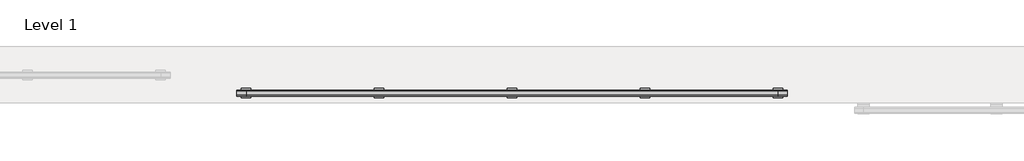
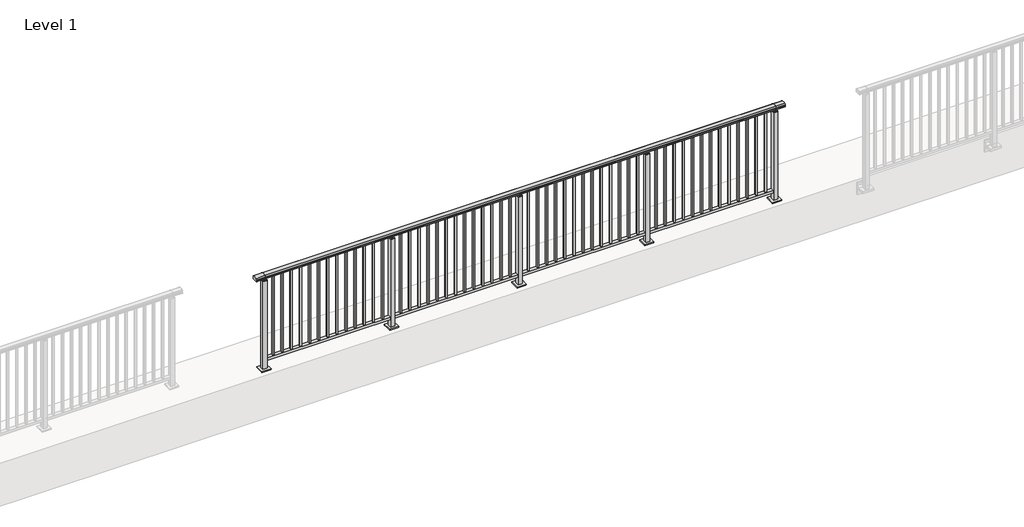
# One storey, part 17 of 64: 1 railing.
"""IFC4 building model written with IfcOpenShell, lengths in millimetres."""

from ifc_helpers import new_model, si_unit, frame, origin, origin_with_axes, place, context, project, spatial, polyline, circle_curve, outline, extrude, element, save
from ifc_brep_helpers import plane_surface, cylinder_surface, revolved_surface, advanced_brep

model = new_model("IFC4")

# Units and contexts
model_context = context("Model", 3, world=origin())
ifc_project = project(units=[si_unit("LENGTHUNIT", "METRE", prefix="MILLI")], contexts=[model_context])

# Site, building, storey
site = spatial("IfcSite", under=ifc_project)
building = spatial("IfcBuilding", under=site)
storey = spatial("IfcBuildingStorey", under=building, Name="Level 1", Elevation=0.0)

# Railing
placement = place(None, origin())
element("IfcRailing", 1, at=placement, inside=storey, context=model_context, shape_type="SolidModel", body=[
    advanced_brep(
    [(6400.0, 15025.3633756, 1095.6691182), (6400.0, 15030.1846828, 1081.1334092), (6400.0, 15029.2413744, 1069.2539035), (6400.0, 15031.1364177, 1061.4863007), (6400.0, 15029.4894799, 1060.384124), (6400.0, 15029.4894799, 1062.0), (6400.0, 14970.8798858, 1062.0), (6400.0, 14970.8798858, 1060.384124), (6400.0, 14969.232948, 1061.4863007), (6400.0, 14971.1279912, 1069.2539035), (6400.0, 14970.1846828, 1081.1334092), (6400.0, 14975.00599, 1095.6691182), (12200.0, 15025.3633756, 1095.6691182), (12200.0, 14975.00599, 1095.6691182), (12200.0, 14970.1846828, 1081.1334092), (12200.0, 14971.1279912, 1069.2539035), (12200.0, 14969.232948, 1061.4863007), (12200.0, 14970.8798858, 1060.384124), (12200.0, 14970.8798858, 1062.0), (12200.0, 15029.4894799, 1062.0), (12200.0, 15029.4894799, 1060.384124), (12200.0, 15031.1364177, 1061.4863007), (12200.0, 15029.2413744, 1069.2539035), (12200.0, 15030.1846828, 1081.1334092), (6500.0, 15025.3633756, 1095.6691182), (6500.0, 15030.1846828, 1081.1334092), (6500.0, 15029.2413744, 1069.2539035), (6500.0, 15031.1364177, 1061.4863007), (6500.0, 15029.4894799, 1060.384124), (6500.0, 15029.4894799, 1062.0), (6500.0, 14970.8798858, 1062.0), (6500.0, 14970.8798858, 1060.384124), (6500.0, 14969.232948, 1061.4863007), (6500.0, 14971.1279912, 1069.2539035), (6500.0, 14970.1846828, 1081.1334092), (6500.0, 14975.00599, 1095.6691182), (12100.0, 15025.3633756, 1095.6691182), (12100.0, 15030.1846828, 1081.1334092), (12100.0, 15029.2413744, 1069.2539035), (12100.0, 15031.1364177, 1061.4863007), (12100.0, 15029.4894799, 1060.384124), (12100.0, 15029.4894799, 1062.0), (12100.0, 14970.8798858, 1062.0), (12100.0, 14970.8798858, 1060.384124), (12100.0, 14969.232948, 1061.4863007), (12100.0, 14971.1279912, 1069.2539035), (12100.0, 14970.1846828, 1081.1334092), (12100.0, 14975.00599, 1095.6691182)],
    [
        (0, 1, circle_curve(frame((6400.0, 15022.1223845, 1086.526686), z_axis=(-1.0, 0.0, 0.0), x_axis=(0.0, -1.0, 0.0)), 9.6999015)),
        (1, 2, circle_curve(frame((6400.0, 15047.7252545, 1073.7633709), z_axis=(1.0, 0.0, 0.0), x_axis=(0.0, -1.0, 0.0)), 19.0260117)),
        (2, 3),
        (3, 4, circle_curve(frame((6400.0, 15030.2772073, 1060.9886194), z_axis=(-1.0, 0.0, 0.0), x_axis=(0.0, -1.0, 0.0)), 0.9929396)),
        (4, 5),
        (5, 6),
        (6, 7),
        (7, 8, circle_curve(frame((6400.0, 14970.0921584, 1060.9886194), z_axis=(-1.0, 0.0, 0.0), x_axis=(0.0, 1.0, 0.0)), 0.9929396)),
        (8, 9),
        (9, 10, circle_curve(frame((6400.0, 14952.6441111, 1073.7633709), z_axis=(1.0, 0.0, 0.0), x_axis=(0.0, 1.0, 0.0)), 19.0260117)),
        (10, 11, circle_curve(frame((6400.0, 14978.2469812, 1086.526686), z_axis=(-1.0, 0.0, 0.0), x_axis=(0.0, 1.0, 0.0)), 9.6999015)),
        (11, 0, circle_curve(frame((6400.0, 15000.1846828, 1024.6431628), z_axis=(-1.0, 0.0, 0.0), x_axis=(0.0, 1.0, 0.0)), 75.3568372)),
        (12, 13, circle_curve(frame((12200.0, 15000.1846828, 1024.6431628), z_axis=(1.0, 0.0, 0.0), x_axis=(0.0, 1.0, 0.0)), 75.3568372)),
        (13, 14, circle_curve(frame((12200.0, 14978.2469812, 1086.526686), z_axis=(1.0, 0.0, 0.0), x_axis=(0.0, 1.0, 0.0)), 9.6999015)),
        (14, 15, circle_curve(frame((12200.0, 14952.6441111, 1073.7633709), z_axis=(-1.0, 0.0, 0.0), x_axis=(0.0, 1.0, 0.0)), 19.0260117)),
        (15, 16),
        (16, 17, circle_curve(frame((12200.0, 14970.0921584, 1060.9886194), z_axis=(1.0, 0.0, 0.0), x_axis=(0.0, 1.0, 0.0)), 0.9929396)),
        (17, 18),
        (18, 19),
        (19, 20),
        (20, 21, circle_curve(frame((12200.0, 15030.2772073, 1060.9886194), z_axis=(1.0, 0.0, 0.0), x_axis=(0.0, -1.0, 0.0)), 0.9929396)),
        (21, 22),
        (22, 23, circle_curve(frame((12200.0, 15047.7252545, 1073.7633709), z_axis=(-1.0, 0.0, 0.0), x_axis=(0.0, -1.0, 0.0)), 19.0260117)),
        (23, 12, circle_curve(frame((12200.0, 15022.1223845, 1086.526686), z_axis=(1.0, 0.0, 0.0), x_axis=(0.0, -1.0, 0.0)), 9.6999015)),
        (0, 24),
        (24, 25, circle_curve(frame((6500.0, 15022.1223845, 1086.526686), z_axis=(-1.0, 0.0, 0.0), x_axis=(0.0, -1.0, 0.0)), 9.6999015)),
        (25, 1),
        (25, 26, circle_curve(frame((6500.0, 15047.7252545, 1073.7633709), z_axis=(1.0, 0.0, 0.0), x_axis=(0.0, -1.0, 0.0)), 19.0260117)),
        (26, 2),
        (26, 27),
        (27, 3),
        (27, 28, circle_curve(frame((6500.0, 15030.2772073, 1060.9886194), z_axis=(-1.0, 0.0, 0.0), x_axis=(0.0, -1.0, 0.0)), 0.9929396)),
        (28, 4),
        (28, 29),
        (29, 5),
        (29, 30),
        (30, 6),
        (30, 31),
        (31, 7),
        (31, 32, circle_curve(frame((6500.0, 14970.0921584, 1060.9886194), z_axis=(-1.0, 0.0, 0.0), x_axis=(0.0, 1.0, 0.0)), 0.9929396)),
        (32, 8),
        (32, 33),
        (33, 9),
        (33, 34, circle_curve(frame((6500.0, 14952.6441111, 1073.7633709), z_axis=(1.0, 0.0, 0.0), x_axis=(0.0, 1.0, 0.0)), 19.0260117)),
        (34, 10),
        (34, 35, circle_curve(frame((6500.0, 14978.2469812, 1086.526686), z_axis=(-1.0, 0.0, 0.0), x_axis=(0.0, 1.0, 0.0)), 9.6999015)),
        (35, 11),
        (35, 24, circle_curve(frame((6500.0, 15000.1846828, 1024.6431628), z_axis=(-1.0, 0.0, 0.0), x_axis=(0.0, 1.0, 0.0)), 75.3568372)),
        (24, 36),
        (36, 37, circle_curve(frame((12100.0, 15022.1223845, 1086.526686), z_axis=(-1.0, 0.0, 0.0), x_axis=(0.0, -1.0, 0.0)), 9.6999015)),
        (37, 25),
        (37, 38, circle_curve(frame((12100.0, 15047.7252545, 1073.7633709), z_axis=(1.0, 0.0, 0.0), x_axis=(0.0, -1.0, 0.0)), 19.0260117)),
        (38, 26),
        (38, 39),
        (39, 27),
        (39, 40, circle_curve(frame((12100.0, 15030.2772073, 1060.9886194), z_axis=(-1.0, 0.0, 0.0), x_axis=(0.0, -1.0, 0.0)), 0.9929396)),
        (40, 28),
        (40, 41),
        (41, 29),
        (41, 42),
        (42, 30),
        (42, 43),
        (43, 31),
        (43, 44, circle_curve(frame((12100.0, 14970.0921584, 1060.9886194), z_axis=(-1.0, 0.0, 0.0), x_axis=(0.0, 1.0, 0.0)), 0.9929396)),
        (44, 32),
        (44, 45),
        (45, 33),
        (45, 46, circle_curve(frame((12100.0, 14952.6441111, 1073.7633709), z_axis=(1.0, 0.0, 0.0), x_axis=(0.0, 1.0, 0.0)), 19.0260117)),
        (46, 34),
        (46, 47, circle_curve(frame((12100.0, 14978.2469812, 1086.526686), z_axis=(-1.0, 0.0, 0.0), x_axis=(0.0, 1.0, 0.0)), 9.6999015)),
        (47, 35),
        (47, 36, circle_curve(frame((12100.0, 15000.1846828, 1024.6431628), z_axis=(-1.0, 0.0, 0.0), x_axis=(0.0, 1.0, 0.0)), 75.3568372)),
        (36, 12),
        (23, 37),
        (22, 38),
        (21, 39),
        (20, 40),
        (19, 41),
        (18, 42),
        (17, 43),
        (16, 44),
        (15, 45),
        (14, 46),
        (13, 47),
    ],
    [
        plane_surface(frame((6400.0, 15000.1846828, 1100.0), z_axis=(-1.0, 0.0, 0.0), x_axis=(0.0, 1.0, 0.0))),
        plane_surface(frame((12200.0, 15000.1846828, 1100.0), z_axis=(1.0, 0.0, 0.0), x_axis=(0.0, 1.0, 0.0))),
        cylinder_surface(frame((6400.0, 15022.1223845, 1086.526686), z_axis=(-1.0, 0.0, 0.0), x_axis=(0.0, -1.0, 0.0)), 9.6999015),
        revolved_surface(polyline([(6500.0, 15028.6992428, 1073.7633709), (6400.0, 15028.6992428, 1073.7633709)]), (6400.0, 15047.7252545, 1073.7633709), (1.0, 0.0, 0.0)),
        plane_surface(frame((6400.0, 15029.2413744, 1069.2539035), z_axis=(0.0, 0.9715057689301543, 0.2370159086125439), x_axis=(1.0, 0.0, 0.0))),
        cylinder_surface(frame((6400.0, 15030.2772073, 1060.9886194), z_axis=(-1.0, 0.0, 0.0), x_axis=(0.0, -1.0, 0.0)), 0.9929396),
        plane_surface(frame((6400.0, 15029.4894799, 1060.384124), z_axis=(0.0, -1.0, 0.0), x_axis=(1.0, 0.0, 0.0))),
        plane_surface(frame((6400.0, 15029.4894799, 1062.0), z_axis=(0.0, 0.0, -1.0), x_axis=(1.0, 0.0, 0.0))),
        plane_surface(frame((6400.0, 14970.8798858, 1062.0), z_axis=(0.0, 1.0, 0.0), x_axis=(1.0, 0.0, 0.0))),
        cylinder_surface(frame((6400.0, 14970.0921584, 1060.9886194), z_axis=(-1.0, 0.0, 0.0), x_axis=(0.0, 1.0, 0.0)), 0.9929396),
        plane_surface(frame((6400.0, 14969.232948, 1061.4863007), z_axis=(0.0, -0.9715057689301543, 0.2370159086125439), x_axis=(1.0, 0.0, 0.0))),
        revolved_surface(polyline([(6500.0, 14971.6701228, 1073.7633709), (6400.0, 14971.6701228, 1073.7633709)]), (6400.0, 14952.6441111, 1073.7633709), (1.0, 0.0, 0.0)),
        cylinder_surface(frame((6400.0, 14978.2469812, 1086.526686), z_axis=(-1.0, 0.0, 0.0), x_axis=(0.0, 1.0, 0.0)), 9.6999015),
        cylinder_surface(frame((6400.0, 15000.1846828, 1024.6431628), z_axis=(-1.0, 0.0, 0.0), x_axis=(0.0, 1.0, 0.0)), 75.3568372),
        cylinder_surface(frame((6500.0, 15022.1223845, 1086.526686), z_axis=(-1.0, 0.0, 0.0), x_axis=(0.0, -1.0, 0.0)), 9.6999015),
        revolved_surface(polyline([(12100.0, 15028.6992428, 1073.7633709), (6500.0, 15028.6992428, 1073.7633709)]), (6500.0, 15047.7252545, 1073.7633709), (1.0, 0.0, 0.0)),
        plane_surface(frame((6500.0, 15029.2413744, 1069.2539035), z_axis=(0.0, 0.9715057689301543, 0.2370159086125439), x_axis=(1.0, 0.0, 0.0))),
        cylinder_surface(frame((6500.0, 15030.2772073, 1060.9886194), z_axis=(-1.0, 0.0, 0.0), x_axis=(0.0, -1.0, 0.0)), 0.9929396),
        plane_surface(frame((6500.0, 15029.4894799, 1060.384124), z_axis=(0.0, -1.0, 0.0), x_axis=(1.0, 0.0, 0.0))),
        plane_surface(frame((6500.0, 15029.4894799, 1062.0), z_axis=(0.0, 0.0, -1.0), x_axis=(1.0, 0.0, 0.0))),
        plane_surface(frame((6500.0, 14970.8798858, 1062.0), z_axis=(0.0, 1.0, 0.0), x_axis=(1.0, 0.0, 0.0))),
        cylinder_surface(frame((6500.0, 14970.0921584, 1060.9886194), z_axis=(-1.0, 0.0, 0.0), x_axis=(0.0, 1.0, 0.0)), 0.9929396),
        plane_surface(frame((6500.0, 14969.232948, 1061.4863007), z_axis=(0.0, -0.9715057689301543, 0.2370159086125439), x_axis=(1.0, 0.0, 0.0))),
        revolved_surface(polyline([(12100.0, 14971.6701228, 1073.7633709), (6500.0, 14971.6701228, 1073.7633709)]), (6500.0, 14952.6441111, 1073.7633709), (1.0, 0.0, 0.0)),
        cylinder_surface(frame((6500.0, 14978.2469812, 1086.526686), z_axis=(-1.0, 0.0, 0.0), x_axis=(0.0, 1.0, 0.0)), 9.6999015),
        cylinder_surface(frame((6500.0, 15000.1846828, 1024.6431628), z_axis=(-1.0, 0.0, 0.0), x_axis=(0.0, 1.0, 0.0)), 75.3568372),
        cylinder_surface(frame((12100.0, 15022.1223845, 1086.526686), z_axis=(-1.0, 0.0, 0.0), x_axis=(0.0, -1.0, 0.0)), 9.6999015),
        revolved_surface(polyline([(12200.0, 15028.6992428, 1073.7633709), (12100.0, 15028.6992428, 1073.7633709)]), (12100.0, 15047.7252545, 1073.7633709), (1.0, 0.0, 0.0)),
        plane_surface(frame((12100.0, 15029.2413744, 1069.2539035), z_axis=(0.0, 0.9715057689301543, 0.2370159086125439), x_axis=(1.0, 0.0, 0.0))),
        cylinder_surface(frame((12100.0, 15030.2772073, 1060.9886194), z_axis=(-1.0, 0.0, 0.0), x_axis=(0.0, -1.0, 0.0)), 0.9929396),
        plane_surface(frame((12100.0, 15029.4894799, 1060.384124), z_axis=(0.0, -1.0, 0.0), x_axis=(1.0, 0.0, 0.0))),
        plane_surface(frame((12100.0, 15029.4894799, 1062.0), z_axis=(0.0, 0.0, -1.0), x_axis=(1.0, 0.0, 0.0))),
        plane_surface(frame((12100.0, 14970.8798858, 1062.0), z_axis=(0.0, 1.0, 0.0), x_axis=(1.0, 0.0, 0.0))),
        cylinder_surface(frame((12100.0, 14970.0921584, 1060.9886194), z_axis=(-1.0, 0.0, 0.0), x_axis=(0.0, 1.0, 0.0)), 0.9929396),
        plane_surface(frame((12100.0, 14969.232948, 1061.4863007), z_axis=(0.0, -0.9715057689301543, 0.2370159086125439), x_axis=(1.0, 0.0, 0.0))),
        revolved_surface(polyline([(12200.0, 14971.6701228, 1073.7633709), (12100.0, 14971.6701228, 1073.7633709)]), (12100.0, 14952.6441111, 1073.7633709), (1.0, 0.0, 0.0)),
        cylinder_surface(frame((12100.0, 14978.2469812, 1086.526686), z_axis=(-1.0, 0.0, 0.0), x_axis=(0.0, 1.0, 0.0)), 9.6999015),
        cylinder_surface(frame((12100.0, 15000.1846828, 1024.6431628), z_axis=(-1.0, 0.0, 0.0), x_axis=(0.0, 1.0, 0.0)), 75.3568372),
    ],
    [
        (0, [[1, 2, 3, 4, 5, 6, 7, 8, 9, 10, 11, 12]]),
        (1, [[13, 14, 15, 16, 17, 18, 19, 20, 21, 22, 23, 24]]),
        (2, [[-1, 25, 26, 27]]),
        (3, [[-2, -27, 28, 29]]),
        (4, [[-3, -29, 30, 31]]),
        (5, [[-4, -31, 32, 33]]),
        (6, [[-5, -33, 34, 35]]),
        (7, [[-6, -35, 36, 37]]),
        (8, [[-7, -37, 38, 39]]),
        (9, [[-8, -39, 40, 41]]),
        (10, [[-9, -41, 42, 43]]),
        (11, [[-10, -43, 44, 45]]),
        (12, [[-11, -45, 46, 47]]),
        (13, [[-12, -47, 48, -25]]),
        (14, [[-26, 49, 50, 51]]),
        (15, [[-28, -51, 52, 53]]),
        (16, [[-30, -53, 54, 55]]),
        (17, [[-32, -55, 56, 57]]),
        (18, [[-34, -57, 58, 59]]),
        (19, [[-36, -59, 60, 61]]),
        (20, [[-38, -61, 62, 63]]),
        (21, [[-40, -63, 64, 65]]),
        (22, [[-42, -65, 66, 67]]),
        (23, [[-44, -67, 68, 69]]),
        (24, [[-46, -69, 70, 71]]),
        (25, [[-48, -71, 72, -49]]),
        (26, [[-50, 73, -24, 74]]),
        (27, [[-52, -74, -23, 75]]),
        (28, [[-54, -75, -22, 76]]),
        (29, [[-56, -76, -21, 77]]),
        (30, [[-58, -77, -20, 78]]),
        (31, [[-60, -78, -19, 79]]),
        (32, [[-62, -79, -18, 80]]),
        (33, [[-64, -80, -17, 81]]),
        (34, [[-66, -81, -16, 82]]),
        (35, [[-68, -82, -15, 83]]),
        (36, [[-70, -83, -14, 84]]),
        (37, [[-72, -84, -13, -73]]),
    ],
),
    extrude(outline(polyline([(6500.0, 14982.6846828), (6500.0, 15017.6846828), (12100.0, 15017.6846828), (12100.0, 14982.6846828), (6500.0, 14982.6846828)])), frame((0.0, 0.0, 95.0), z_axis=(0.0, 0.0, 1.0), x_axis=(1.0, 0.0, 0.0)), (0.0, 0.0, 1.0), 30.0),
    extrude(outline(polyline([(12008.5, 15008.6846828), (12008.5, 14991.6846828), (11991.5, 14991.6846828), (11991.5, 15008.6846828), (12008.5, 15008.6846828)])), frame((0.0, 0.0, 125.0), z_axis=(0.0, 0.0, 1.0), x_axis=(1.0, 0.0, 0.0)), (0.0, 0.0, 1.0), 930.0),
    extrude(outline(polyline([(11908.5, 15008.6846828), (11908.5, 14991.6846828), (11891.5, 14991.6846828), (11891.5, 15008.6846828), (11908.5, 15008.6846828)])), frame((0.0, 0.0, 125.0), z_axis=(0.0, 0.0, 1.0), x_axis=(1.0, 0.0, 0.0)), (0.0, 0.0, 1.0), 930.0),
    extrude(outline(polyline([(11808.5, 15008.6846828), (11808.5, 14991.6846828), (11791.5, 14991.6846828), (11791.5, 15008.6846828), (11808.5, 15008.6846828)])), frame((0.0, 0.0, 125.0), z_axis=(0.0, 0.0, 1.0), x_axis=(1.0, 0.0, 0.0)), (0.0, 0.0, 1.0), 930.0),
    extrude(outline(polyline([(11708.5, 15008.6846828), (11708.5, 14991.6846828), (11691.5, 14991.6846828), (11691.5, 15008.6846828), (11708.5, 15008.6846828)])), frame((0.0, 0.0, 125.0), z_axis=(0.0, 0.0, 1.0), x_axis=(1.0, 0.0, 0.0)), (0.0, 0.0, 1.0), 930.0),
    extrude(outline(polyline([(11608.5, 15008.6846828), (11608.5, 14991.6846828), (11591.5, 14991.6846828), (11591.5, 15008.6846828), (11608.5, 15008.6846828)])), frame((0.0, 0.0, 125.0), z_axis=(0.0, 0.0, 1.0), x_axis=(1.0, 0.0, 0.0)), (0.0, 0.0, 1.0), 930.0),
    extrude(outline(polyline([(11508.5, 15008.6846828), (11508.5, 14991.6846828), (11491.5, 14991.6846828), (11491.5, 15008.6846828), (11508.5, 15008.6846828)])), frame((0.0, 0.0, 125.0), z_axis=(0.0, 0.0, 1.0), x_axis=(1.0, 0.0, 0.0)), (0.0, 0.0, 1.0), 930.0),
    extrude(outline(polyline([(11408.5, 15008.6846828), (11408.5, 14991.6846828), (11391.5, 14991.6846828), (11391.5, 15008.6846828), (11408.5, 15008.6846828)])), frame((0.0, 0.0, 125.0), z_axis=(0.0, 0.0, 1.0), x_axis=(1.0, 0.0, 0.0)), (0.0, 0.0, 1.0), 930.0),
    extrude(outline(polyline([(11308.5, 15008.6846828), (11308.5, 14991.6846828), (11291.5, 14991.6846828), (11291.5, 15008.6846828), (11308.5, 15008.6846828)])), frame((0.0, 0.0, 125.0), z_axis=(0.0, 0.0, 1.0), x_axis=(1.0, 0.0, 0.0)), (0.0, 0.0, 1.0), 930.0),
    extrude(outline(polyline([(11208.5, 15008.6846828), (11208.5, 14991.6846828), (11191.5, 14991.6846828), (11191.5, 15008.6846828), (11208.5, 15008.6846828)])), frame((0.0, 0.0, 125.0), z_axis=(0.0, 0.0, 1.0), x_axis=(1.0, 0.0, 0.0)), (0.0, 0.0, 1.0), 930.0),
    extrude(outline(polyline([(11108.5, 15008.6846828), (11108.5, 14991.6846828), (11091.5, 14991.6846828), (11091.5, 15008.6846828), (11108.5, 15008.6846828)])), frame((0.0, 0.0, 125.0), z_axis=(0.0, 0.0, 1.0), x_axis=(1.0, 0.0, 0.0)), (0.0, 0.0, 1.0), 930.0),
    extrude(outline(polyline([(11008.5, 15008.6846828), (11008.5, 14991.6846828), (10991.5, 14991.6846828), (10991.5, 15008.6846828), (11008.5, 15008.6846828)])), frame((0.0, 0.0, 125.0), z_axis=(0.0, 0.0, 1.0), x_axis=(1.0, 0.0, 0.0)), (0.0, 0.0, 1.0), 930.0),
    extrude(outline(polyline([(10908.5, 15008.6846828), (10908.5, 14991.6846828), (10891.5, 14991.6846828), (10891.5, 15008.6846828), (10908.5, 15008.6846828)])), frame((0.0, 0.0, 125.0), z_axis=(0.0, 0.0, 1.0), x_axis=(1.0, 0.0, 0.0)), (0.0, 0.0, 1.0), 930.0),
    extrude(outline(polyline([(10808.5, 15008.6846828), (10808.5, 14991.6846828), (10791.5, 14991.6846828), (10791.5, 15008.6846828), (10808.5, 15008.6846828)])), frame((0.0, 0.0, 125.0), z_axis=(0.0, 0.0, 1.0), x_axis=(1.0, 0.0, 0.0)), (0.0, 0.0, 1.0), 930.0),
    extrude(outline(polyline([(10710.0, 14990.1846828), (10690.0, 14990.1846828), (10690.0, 15010.1846828), (10710.0, 15010.1846828), (10710.0, 14990.1846828)])), frame((0.0, 0.0, 1035.0), z_axis=(0.0, 0.0, 1.0), x_axis=(1.0, 0.0, 0.0)), (0.0, 0.0, 1.0), 20.0),
    extrude(outline(polyline([(10722.5, 14977.6846828), (10677.5, 14977.6846828), (10677.5, 15022.6846828), (10722.5, 15022.6846828), (10722.5, 14977.6846828)])), frame((0.0, 0.0, 1027.0), z_axis=(0.0, 0.0, 1.0), x_axis=(1.0, 0.0, 0.0)), (0.0, 0.0, 1.0), 8.0),
    extrude(outline(polyline([(10750.0, 14950.1846828), (10650.0, 14950.1846828), (10650.0, 15050.1846828), (10750.0, 15050.1846828), (10750.0, 14950.1846828)])), origin_with_axes(), (0.0, 0.0, 1.0), 12.0),
    extrude(outline(polyline([(10722.5, 14977.6846828), (10677.5, 14977.6846828), (10677.5, 15022.6846828), (10722.5, 15022.6846828), (10722.5, 14977.6846828)])), frame((0.0, 0.0, 12.0), z_axis=(0.0, 0.0, 1.0), x_axis=(1.0, 0.0, 0.0)), (0.0, 0.0, 1.0), 1015.0),
    extrude(outline(polyline([(10608.5, 15008.6846828), (10608.5, 14991.6846828), (10591.5, 14991.6846828), (10591.5, 15008.6846828), (10608.5, 15008.6846828)])), frame((0.0, 0.0, 125.0), z_axis=(0.0, 0.0, 1.0), x_axis=(1.0, 0.0, 0.0)), (0.0, 0.0, 1.0), 930.0),
    extrude(outline(polyline([(10508.5, 15008.6846828), (10508.5, 14991.6846828), (10491.5, 14991.6846828), (10491.5, 15008.6846828), (10508.5, 15008.6846828)])), frame((0.0, 0.0, 125.0), z_axis=(0.0, 0.0, 1.0), x_axis=(1.0, 0.0, 0.0)), (0.0, 0.0, 1.0), 930.0),
    extrude(outline(polyline([(10408.5, 15008.6846828), (10408.5, 14991.6846828), (10391.5, 14991.6846828), (10391.5, 15008.6846828), (10408.5, 15008.6846828)])), frame((0.0, 0.0, 125.0), z_axis=(0.0, 0.0, 1.0), x_axis=(1.0, 0.0, 0.0)), (0.0, 0.0, 1.0), 930.0),
    extrude(outline(polyline([(10308.5, 15008.6846828), (10308.5, 14991.6846828), (10291.5, 14991.6846828), (10291.5, 15008.6846828), (10308.5, 15008.6846828)])), frame((0.0, 0.0, 125.0), z_axis=(0.0, 0.0, 1.0), x_axis=(1.0, 0.0, 0.0)), (0.0, 0.0, 1.0), 930.0),
    extrude(outline(polyline([(10208.5, 15008.6846828), (10208.5, 14991.6846828), (10191.5, 14991.6846828), (10191.5, 15008.6846828), (10208.5, 15008.6846828)])), frame((0.0, 0.0, 125.0), z_axis=(0.0, 0.0, 1.0), x_axis=(1.0, 0.0, 0.0)), (0.0, 0.0, 1.0), 930.0),
    extrude(outline(polyline([(10108.5, 15008.6846828), (10108.5, 14991.6846828), (10091.5, 14991.6846828), (10091.5, 15008.6846828), (10108.5, 15008.6846828)])), frame((0.0, 0.0, 125.0), z_axis=(0.0, 0.0, 1.0), x_axis=(1.0, 0.0, 0.0)), (0.0, 0.0, 1.0), 930.0),
    extrude(outline(polyline([(10008.5, 15008.6846828), (10008.5, 14991.6846828), (9991.5, 14991.6846828), (9991.5, 15008.6846828), (10008.5, 15008.6846828)])), frame((0.0, 0.0, 125.0), z_axis=(0.0, 0.0, 1.0), x_axis=(1.0, 0.0, 0.0)), (0.0, 0.0, 1.0), 930.0),
    extrude(outline(polyline([(9908.5, 15008.6846828), (9908.5, 14991.6846828), (9891.5, 14991.6846828), (9891.5, 15008.6846828), (9908.5, 15008.6846828)])), frame((0.0, 0.0, 125.0), z_axis=(0.0, 0.0, 1.0), x_axis=(1.0, 0.0, 0.0)), (0.0, 0.0, 1.0), 930.0),
    extrude(outline(polyline([(9808.5, 15008.6846828), (9808.5, 14991.6846828), (9791.5, 14991.6846828), (9791.5, 15008.6846828), (9808.5, 15008.6846828)])), frame((0.0, 0.0, 125.0), z_axis=(0.0, 0.0, 1.0), x_axis=(1.0, 0.0, 0.0)), (0.0, 0.0, 1.0), 930.0),
    extrude(outline(polyline([(9708.5, 15008.6846828), (9708.5, 14991.6846828), (9691.5, 14991.6846828), (9691.5, 15008.6846828), (9708.5, 15008.6846828)])), frame((0.0, 0.0, 125.0), z_axis=(0.0, 0.0, 1.0), x_axis=(1.0, 0.0, 0.0)), (0.0, 0.0, 1.0), 930.0),
    extrude(outline(polyline([(9608.5, 15008.6846828), (9608.5, 14991.6846828), (9591.5, 14991.6846828), (9591.5, 15008.6846828), (9608.5, 15008.6846828)])), frame((0.0, 0.0, 125.0), z_axis=(0.0, 0.0, 1.0), x_axis=(1.0, 0.0, 0.0)), (0.0, 0.0, 1.0), 930.0),
    extrude(outline(polyline([(9508.5, 15008.6846828), (9508.5, 14991.6846828), (9491.5, 14991.6846828), (9491.5, 15008.6846828), (9508.5, 15008.6846828)])), frame((0.0, 0.0, 125.0), z_axis=(0.0, 0.0, 1.0), x_axis=(1.0, 0.0, 0.0)), (0.0, 0.0, 1.0), 930.0),
    extrude(outline(polyline([(9408.5, 15008.6846828), (9408.5, 14991.6846828), (9391.5, 14991.6846828), (9391.5, 15008.6846828), (9408.5, 15008.6846828)])), frame((0.0, 0.0, 125.0), z_axis=(0.0, 0.0, 1.0), x_axis=(1.0, 0.0, 0.0)), (0.0, 0.0, 1.0), 930.0),
    extrude(outline(polyline([(9310.0, 14990.1846828), (9290.0, 14990.1846828), (9290.0, 15010.1846828), (9310.0, 15010.1846828), (9310.0, 14990.1846828)])), frame((0.0, 0.0, 1035.0), z_axis=(0.0, 0.0, 1.0), x_axis=(1.0, 0.0, 0.0)), (0.0, 0.0, 1.0), 20.0),
    extrude(outline(polyline([(9322.5, 14977.6846828), (9277.5, 14977.6846828), (9277.5, 15022.6846828), (9322.5, 15022.6846828), (9322.5, 14977.6846828)])), frame((0.0, 0.0, 1027.0), z_axis=(0.0, 0.0, 1.0), x_axis=(1.0, 0.0, 0.0)), (0.0, 0.0, 1.0), 8.0),
    extrude(outline(polyline([(9350.0, 14950.1846828), (9250.0, 14950.1846828), (9250.0, 15050.1846828), (9350.0, 15050.1846828), (9350.0, 14950.1846828)])), origin_with_axes(), (0.0, 0.0, 1.0), 12.0),
    extrude(outline(polyline([(9322.5, 14977.6846828), (9277.5, 14977.6846828), (9277.5, 15022.6846828), (9322.5, 15022.6846828), (9322.5, 14977.6846828)])), frame((0.0, 0.0, 12.0), z_axis=(0.0, 0.0, 1.0), x_axis=(1.0, 0.0, 0.0)), (0.0, 0.0, 1.0), 1015.0),
    extrude(outline(polyline([(9208.5, 15008.6846828), (9208.5, 14991.6846828), (9191.5, 14991.6846828), (9191.5, 15008.6846828), (9208.5, 15008.6846828)])), frame((0.0, 0.0, 125.0), z_axis=(0.0, 0.0, 1.0), x_axis=(1.0, 0.0, 0.0)), (0.0, 0.0, 1.0), 930.0),
    extrude(outline(polyline([(9108.5, 15008.6846828), (9108.5, 14991.6846828), (9091.5, 14991.6846828), (9091.5, 15008.6846828), (9108.5, 15008.6846828)])), frame((0.0, 0.0, 125.0), z_axis=(0.0, 0.0, 1.0), x_axis=(1.0, 0.0, 0.0)), (0.0, 0.0, 1.0), 930.0),
    extrude(outline(polyline([(9008.5, 15008.6846828), (9008.5, 14991.6846828), (8991.5, 14991.6846828), (8991.5, 15008.6846828), (9008.5, 15008.6846828)])), frame((0.0, 0.0, 125.0), z_axis=(0.0, 0.0, 1.0), x_axis=(1.0, 0.0, 0.0)), (0.0, 0.0, 1.0), 930.0),
    extrude(outline(polyline([(8908.5, 15008.6846828), (8908.5, 14991.6846828), (8891.5, 14991.6846828), (8891.5, 15008.6846828), (8908.5, 15008.6846828)])), frame((0.0, 0.0, 125.0), z_axis=(0.0, 0.0, 1.0), x_axis=(1.0, 0.0, 0.0)), (0.0, 0.0, 1.0), 930.0),
    extrude(outline(polyline([(8808.5, 15008.6846828), (8808.5, 14991.6846828), (8791.5, 14991.6846828), (8791.5, 15008.6846828), (8808.5, 15008.6846828)])), frame((0.0, 0.0, 125.0), z_axis=(0.0, 0.0, 1.0), x_axis=(1.0, 0.0, 0.0)), (0.0, 0.0, 1.0), 930.0),
    extrude(outline(polyline([(8708.5, 15008.6846828), (8708.5, 14991.6846828), (8691.5, 14991.6846828), (8691.5, 15008.6846828), (8708.5, 15008.6846828)])), frame((0.0, 0.0, 125.0), z_axis=(0.0, 0.0, 1.0), x_axis=(1.0, 0.0, 0.0)), (0.0, 0.0, 1.0), 930.0),
    extrude(outline(polyline([(8608.5, 15008.6846828), (8608.5, 14991.6846828), (8591.5, 14991.6846828), (8591.5, 15008.6846828), (8608.5, 15008.6846828)])), frame((0.0, 0.0, 125.0), z_axis=(0.0, 0.0, 1.0), x_axis=(1.0, 0.0, 0.0)), (0.0, 0.0, 1.0), 930.0),
    extrude(outline(polyline([(8508.5, 15008.6846828), (8508.5, 14991.6846828), (8491.5, 14991.6846828), (8491.5, 15008.6846828), (8508.5, 15008.6846828)])), frame((0.0, 0.0, 125.0), z_axis=(0.0, 0.0, 1.0), x_axis=(1.0, 0.0, 0.0)), (0.0, 0.0, 1.0), 930.0),
    extrude(outline(polyline([(8408.5, 15008.6846828), (8408.5, 14991.6846828), (8391.5, 14991.6846828), (8391.5, 15008.6846828), (8408.5, 15008.6846828)])), frame((0.0, 0.0, 125.0), z_axis=(0.0, 0.0, 1.0), x_axis=(1.0, 0.0, 0.0)), (0.0, 0.0, 1.0), 930.0),
    extrude(outline(polyline([(8308.5, 15008.6846828), (8308.5, 14991.6846828), (8291.5, 14991.6846828), (8291.5, 15008.6846828), (8308.5, 15008.6846828)])), frame((0.0, 0.0, 125.0), z_axis=(0.0, 0.0, 1.0), x_axis=(1.0, 0.0, 0.0)), (0.0, 0.0, 1.0), 930.0),
    extrude(outline(polyline([(8208.5, 15008.6846828), (8208.5, 14991.6846828), (8191.5, 14991.6846828), (8191.5, 15008.6846828), (8208.5, 15008.6846828)])), frame((0.0, 0.0, 125.0), z_axis=(0.0, 0.0, 1.0), x_axis=(1.0, 0.0, 0.0)), (0.0, 0.0, 1.0), 930.0),
    extrude(outline(polyline([(8108.5, 15008.6846828), (8108.5, 14991.6846828), (8091.5, 14991.6846828), (8091.5, 15008.6846828), (8108.5, 15008.6846828)])), frame((0.0, 0.0, 125.0), z_axis=(0.0, 0.0, 1.0), x_axis=(1.0, 0.0, 0.0)), (0.0, 0.0, 1.0), 930.0),
    extrude(outline(polyline([(8008.5, 15008.6846828), (8008.5, 14991.6846828), (7991.5, 14991.6846828), (7991.5, 15008.6846828), (8008.5, 15008.6846828)])), frame((0.0, 0.0, 125.0), z_axis=(0.0, 0.0, 1.0), x_axis=(1.0, 0.0, 0.0)), (0.0, 0.0, 1.0), 930.0),
    extrude(outline(polyline([(7910.0, 14990.1846828), (7890.0, 14990.1846828), (7890.0, 15010.1846828), (7910.0, 15010.1846828), (7910.0, 14990.1846828)])), frame((0.0, 0.0, 1035.0), z_axis=(0.0, 0.0, 1.0), x_axis=(1.0, 0.0, 0.0)), (0.0, 0.0, 1.0), 20.0),
    extrude(outline(polyline([(7922.5, 14977.6846828), (7877.5, 14977.6846828), (7877.5, 15022.6846828), (7922.5, 15022.6846828), (7922.5, 14977.6846828)])), frame((0.0, 0.0, 1027.0), z_axis=(0.0, 0.0, 1.0), x_axis=(1.0, 0.0, 0.0)), (0.0, 0.0, 1.0), 8.0),
    extrude(outline(polyline([(7950.0, 14950.1846828), (7850.0, 14950.1846828), (7850.0, 15050.1846828), (7950.0, 15050.1846828), (7950.0, 14950.1846828)])), origin_with_axes(), (0.0, 0.0, 1.0), 12.0),
    extrude(outline(polyline([(7922.5, 14977.6846828), (7877.5, 14977.6846828), (7877.5, 15022.6846828), (7922.5, 15022.6846828), (7922.5, 14977.6846828)])), frame((0.0, 0.0, 12.0), z_axis=(0.0, 0.0, 1.0), x_axis=(1.0, 0.0, 0.0)), (0.0, 0.0, 1.0), 1015.0),
    extrude(outline(polyline([(7808.5, 15008.6846828), (7808.5, 14991.6846828), (7791.5, 14991.6846828), (7791.5, 15008.6846828), (7808.5, 15008.6846828)])), frame((0.0, 0.0, 125.0), z_axis=(0.0, 0.0, 1.0), x_axis=(1.0, 0.0, 0.0)), (0.0, 0.0, 1.0), 930.0),
    extrude(outline(polyline([(7708.5, 15008.6846828), (7708.5, 14991.6846828), (7691.5, 14991.6846828), (7691.5, 15008.6846828), (7708.5, 15008.6846828)])), frame((0.0, 0.0, 125.0), z_axis=(0.0, 0.0, 1.0), x_axis=(1.0, 0.0, 0.0)), (0.0, 0.0, 1.0), 930.0),
    extrude(outline(polyline([(7608.5, 15008.6846828), (7608.5, 14991.6846828), (7591.5, 14991.6846828), (7591.5, 15008.6846828), (7608.5, 15008.6846828)])), frame((0.0, 0.0, 125.0), z_axis=(0.0, 0.0, 1.0), x_axis=(1.0, 0.0, 0.0)), (0.0, 0.0, 1.0), 930.0),
    extrude(outline(polyline([(7508.5, 15008.6846828), (7508.5, 14991.6846828), (7491.5, 14991.6846828), (7491.5, 15008.6846828), (7508.5, 15008.6846828)])), frame((0.0, 0.0, 125.0), z_axis=(0.0, 0.0, 1.0), x_axis=(1.0, 0.0, 0.0)), (0.0, 0.0, 1.0), 930.0),
    extrude(outline(polyline([(7408.5, 15008.6846828), (7408.5, 14991.6846828), (7391.5, 14991.6846828), (7391.5, 15008.6846828), (7408.5, 15008.6846828)])), frame((0.0, 0.0, 125.0), z_axis=(0.0, 0.0, 1.0), x_axis=(1.0, 0.0, 0.0)), (0.0, 0.0, 1.0), 930.0),
    extrude(outline(polyline([(7308.5, 15008.6846828), (7308.5, 14991.6846828), (7291.5, 14991.6846828), (7291.5, 15008.6846828), (7308.5, 15008.6846828)])), frame((0.0, 0.0, 125.0), z_axis=(0.0, 0.0, 1.0), x_axis=(1.0, 0.0, 0.0)), (0.0, 0.0, 1.0), 930.0),
    extrude(outline(polyline([(7208.5, 15008.6846828), (7208.5, 14991.6846828), (7191.5, 14991.6846828), (7191.5, 15008.6846828), (7208.5, 15008.6846828)])), frame((0.0, 0.0, 125.0), z_axis=(0.0, 0.0, 1.0), x_axis=(1.0, 0.0, 0.0)), (0.0, 0.0, 1.0), 930.0),
    extrude(outline(polyline([(7108.5, 15008.6846828), (7108.5, 14991.6846828), (7091.5, 14991.6846828), (7091.5, 15008.6846828), (7108.5, 15008.6846828)])), frame((0.0, 0.0, 125.0), z_axis=(0.0, 0.0, 1.0), x_axis=(1.0, 0.0, 0.0)), (0.0, 0.0, 1.0), 930.0),
    extrude(outline(polyline([(7008.5, 15008.6846828), (7008.5, 14991.6846828), (6991.5, 14991.6846828), (6991.5, 15008.6846828), (7008.5, 15008.6846828)])), frame((0.0, 0.0, 125.0), z_axis=(0.0, 0.0, 1.0), x_axis=(1.0, 0.0, 0.0)), (0.0, 0.0, 1.0), 930.0),
    extrude(outline(polyline([(6908.5, 15008.6846828), (6908.5, 14991.6846828), (6891.5, 14991.6846828), (6891.5, 15008.6846828), (6908.5, 15008.6846828)])), frame((0.0, 0.0, 125.0), z_axis=(0.0, 0.0, 1.0), x_axis=(1.0, 0.0, 0.0)), (0.0, 0.0, 1.0), 930.0),
    extrude(outline(polyline([(6808.5, 15008.6846828), (6808.5, 14991.6846828), (6791.5, 14991.6846828), (6791.5, 15008.6846828), (6808.5, 15008.6846828)])), frame((0.0, 0.0, 125.0), z_axis=(0.0, 0.0, 1.0), x_axis=(1.0, 0.0, 0.0)), (0.0, 0.0, 1.0), 930.0),
    extrude(outline(polyline([(6708.5, 15008.6846828), (6708.5, 14991.6846828), (6691.5, 14991.6846828), (6691.5, 15008.6846828), (6708.5, 15008.6846828)])), frame((0.0, 0.0, 125.0), z_axis=(0.0, 0.0, 1.0), x_axis=(1.0, 0.0, 0.0)), (0.0, 0.0, 1.0), 930.0),
    extrude(outline(polyline([(6608.5, 15008.6846828), (6608.5, 14991.6846828), (6591.5, 14991.6846828), (6591.5, 15008.6846828), (6608.5, 15008.6846828)])), frame((0.0, 0.0, 125.0), z_axis=(0.0, 0.0, 1.0), x_axis=(1.0, 0.0, 0.0)), (0.0, 0.0, 1.0), 930.0),
    extrude(outline(polyline([(12110.0, 14990.1846828), (12090.0, 14990.1846828), (12090.0, 15010.1846828), (12110.0, 15010.1846828), (12110.0, 14990.1846828)])), frame((0.0, 0.0, 1035.0), z_axis=(0.0, 0.0, 1.0), x_axis=(1.0, 0.0, 0.0)), (0.0, 0.0, 1.0), 20.0),
    extrude(outline(polyline([(12122.5, 14977.6846828), (12077.5, 14977.6846828), (12077.5, 15022.6846828), (12122.5, 15022.6846828), (12122.5, 14977.6846828)])), frame((0.0, 0.0, 1027.0), z_axis=(0.0, 0.0, 1.0), x_axis=(1.0, 0.0, 0.0)), (0.0, 0.0, 1.0), 8.0),
    extrude(outline(polyline([(12150.0, 14950.1846828), (12050.0, 14950.1846828), (12050.0, 15050.1846828), (12150.0, 15050.1846828), (12150.0, 14950.1846828)])), origin_with_axes(), (0.0, 0.0, 1.0), 12.0),
    extrude(outline(polyline([(12122.5, 14977.6846828), (12077.5, 14977.6846828), (12077.5, 15022.6846828), (12122.5, 15022.6846828), (12122.5, 14977.6846828)])), frame((0.0, 0.0, 12.0), z_axis=(0.0, 0.0, 1.0), x_axis=(1.0, 0.0, 0.0)), (0.0, 0.0, 1.0), 1015.0),
    extrude(outline(polyline([(6510.0, 14990.1846828), (6490.0, 14990.1846828), (6490.0, 15010.1846828), (6510.0, 15010.1846828), (6510.0, 14990.1846828)])), frame((0.0, 0.0, 1035.0), z_axis=(0.0, 0.0, 1.0), x_axis=(1.0, 0.0, 0.0)), (0.0, 0.0, 1.0), 20.0),
    extrude(outline(polyline([(6522.5, 14977.6846828), (6477.5, 14977.6846828), (6477.5, 15022.6846828), (6522.5, 15022.6846828), (6522.5, 14977.6846828)])), frame((0.0, 0.0, 1027.0), z_axis=(0.0, 0.0, 1.0), x_axis=(1.0, 0.0, 0.0)), (0.0, 0.0, 1.0), 8.0),
    extrude(outline(polyline([(6550.0, 14950.1846828), (6450.0, 14950.1846828), (6450.0, 15050.1846828), (6550.0, 15050.1846828), (6550.0, 14950.1846828)])), origin_with_axes(), (0.0, 0.0, 1.0), 12.0),
    extrude(outline(polyline([(6522.5, 14977.6846828), (6477.5, 14977.6846828), (6477.5, 15022.6846828), (6522.5, 15022.6846828), (6522.5, 14977.6846828)])), frame((0.0, 0.0, 12.0), z_axis=(0.0, 0.0, 1.0), x_axis=(1.0, 0.0, 0.0)), (0.0, 0.0, 1.0), 1015.0),
])

save(model, "model.ifc")
